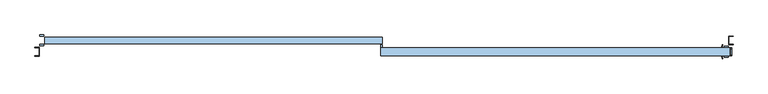
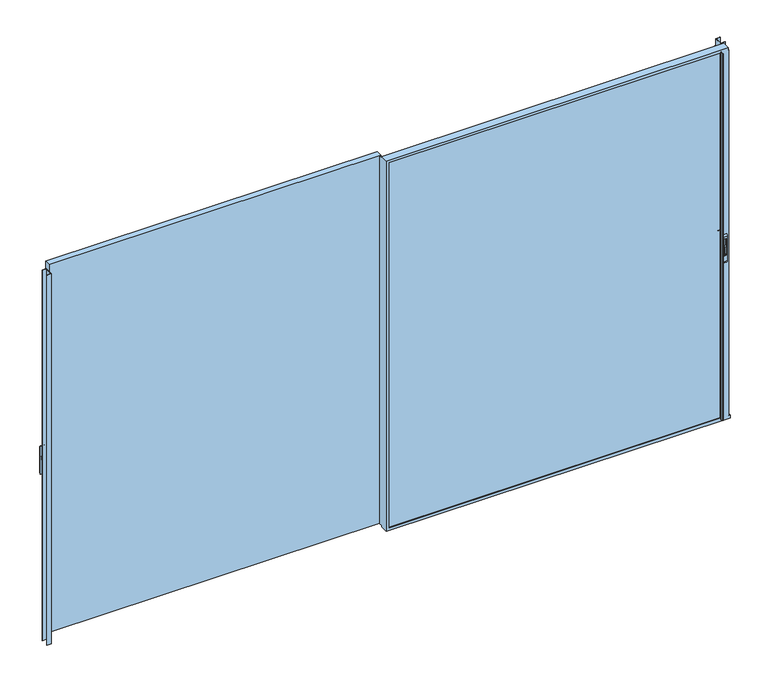
"""IFC4 building model written with IfcOpenShell, lengths in millimetres: window geometry."""

from ifc_helpers import new_model, si_unit, point, frame, frame_2d, origin, place, context, project, spatial, polyline, circle_curve, trimmed, segment, composite_curve, outline, extrude, source, transform, mapped, element, save
from ifc_brep_helpers import plane_surface, cylinder_surface, revolved_surface, advanced_brep


def window_b0a612e4(model_context):
    return source(origin(), model_context, "Body", "SolidModel", [
        extrude(outline(composite_curve([segment(polyline([(-57.5, 2375.2189223), (-57.5, 2439.6559659)]), True, "CONTINUOUS"), segment(trimmed(circle_curve(frame_2d((-46.9370436, 2439.6559659)), 10.5629564), [point((-57.5, 2439.6559659))], [point((-46.9370436, 2450.2189223))], False, "CARTESIAN"), True, "CONTINUOUS"), segment(polyline([(-46.9370436, 2450.2189223), (-51.7185218, 2375.2189223), (-57.5, 2375.2189223)]), True, "CONTINUOUS")], self_intersect=False)), frame((-2928.5110704, 0.0, 0.0), z_axis=(1.0, 0.0, 0.0), x_axis=(0.0, 1.0, 0.0)), (0.0, 0.0, 1.0), 14.8235768),
        advanced_brep(
        [(-2903.1034585, -57.5, 2307.5), (-2903.1034585, -45.5, 2290.0), (-2903.1034585, -45.5, 2550.0), (-2903.1034585, -57.5, 2532.5), (-2939.0571491, -57.5, 2307.5), (-2939.0571491, -57.5, 2532.5), (-2939.0571491, -45.5, 2550.0), (-2939.0571491, -45.5, 2290.0), (-2929.894534, -57.5, 2516.667345), (-2912.30403, -57.5, 2516.667345), (-2912.30403, -57.5, 2360.7687336), (-2929.894534, -57.5, 2360.7687336), (-2912.30403, -46.9370436, 2516.667345), (-2929.894534, -46.9370436, 2516.667345), (-2929.894534, -46.9370436, 2360.7687336), (-2912.30403, -46.9370436, 2360.7687336)],
        [
            (0, 1, circle_curve(frame((-2903.1034585, -38.7395833, 2307.5), z_axis=(1.0, 0.0, 0.0), x_axis=(0.0, 0.0, -1.0)), 18.7604167)),
            (1, 2),
            (2, 3, circle_curve(frame((-2903.1034585, -38.7395833, 2532.5), z_axis=(1.0, 0.0, 0.0), x_axis=(0.0, 0.0, -1.0)), 18.7604167)),
            (3, 0),
            (4, 5),
            (5, 6, circle_curve(frame((-2939.0571491, -38.7395833, 2532.5), z_axis=(-1.0, 0.0, 0.0), x_axis=(0.0, 0.0, -1.0)), 18.7604167)),
            (6, 7),
            (7, 4, circle_curve(frame((-2939.0571491, -38.7395833, 2307.5), z_axis=(-1.0, 0.0, 0.0), x_axis=(0.0, 0.0, -1.0)), 18.7604167)),
            (1, 7),
            (6, 2),
            (3, 5),
            (4, 0),
            (8, 9),
            (9, 10),
            (10, 11),
            (11, 8),
            (12, 13),
            (13, 14),
            (14, 15),
            (15, 12),
            (12, 9),
            (8, 13),
            (11, 14),
            (10, 15),
        ],
        [
            plane_surface(frame((-2903.1034585, -38.7395833, 2288.7395833), z_axis=(1.0, 0.0, 0.0), x_axis=(0.0, 1.0, 0.0))),
            plane_surface(frame((-2939.0571491, -38.7395833, 2288.7395833), z_axis=(-1.0, 0.0, 0.0), x_axis=(0.0, -1.0, 0.0))),
            plane_surface(frame((-2903.1034585, -45.5, 2290.0), z_axis=(0.0, 1.0, 0.0), x_axis=(-1.0, 0.0, 0.0))),
            plane_surface(frame((-2903.1034585, -57.5, 2532.5), z_axis=(0.0, -1.0, 0.0), x_axis=(-1.0, 0.0, 0.0))),
            plane_surface(frame((-2929.894534, -46.9370436, 2516.667345), z_axis=(0.0, -1.0, 0.0), x_axis=(1.0, 0.0, 0.0))),
            plane_surface(frame((-2912.30403, -57.5, 2516.667345), z_axis=(0.0, 0.0, -1.0), x_axis=(0.0, 1.0, 0.0))),
            plane_surface(frame((-2929.894534, -57.5, 2516.667345), z_axis=(1.0, 0.0, 0.0), x_axis=(0.0, 1.0, 0.0))),
            plane_surface(frame((-2929.894534, -57.5, 2360.7687336), z_axis=(0.0, 0.0, 1.0), x_axis=(0.0, 1.0, 0.0))),
            plane_surface(frame((-2912.30403, -57.5, 2360.7687336), z_axis=(-1.0, 0.0, 0.0), x_axis=(0.0, 1.0, 0.0))),
            cylinder_surface(frame((-2939.0571491, -38.7395833, 2307.5), z_axis=(1.0, 0.0, 0.0), x_axis=(0.0, 0.0, -1.0)), 18.7604167),
            cylinder_surface(frame((-2939.0571491, -38.7395833, 2532.5), z_axis=(1.0, 0.0, 0.0), x_axis=(0.0, 0.0, -1.0)), 18.7604167),
        ],
        [
            (0, [[1, 2, 3, 4]]),
            (1, [[5, 6, 7, 8]]),
            (2, [[-2, 9, -7, 10]]),
            (3, [[-4, 11, -5, 12], [13, 14, 15, 16]]),
            (4, [[17, 18, 19, 20]]),
            (5, [[-17, 21, -13, 22]]),
            (6, [[-18, -22, -16, 23]]),
            (7, [[-19, -23, -15, 24]]),
            (8, [[-20, -24, -14, -21]]),
            (9, [[-1, -12, -8, -9]]),
            (10, [[-3, -10, -6, -11]]),
        ],
    ),
        extrude(outline(composite_curve([segment(polyline([(35.5, 2375.2189223), (29.7185218, 2375.2189223), (24.9370436, 2450.2189223)]), True, "CONTINUOUS"), segment(trimmed(circle_curve(frame_2d((24.9370436, 2439.6559659)), 10.5629564), [point((24.9370436, 2450.2189223))], [point((35.5, 2439.6559659))], False, "CARTESIAN"), True, "CONTINUOUS"), segment(polyline([(35.5, 2439.6559659), (35.5, 2375.2189223)]), True, "CONTINUOUS")], self_intersect=False)), frame((-2928.473114, 0.0, 0.0), z_axis=(1.0, 0.0, 0.0), x_axis=(0.0, 1.0, 0.0)), (0.0, 0.0, 1.0), 14.8235768),
        advanced_brep(
        [(-2939.0571491, 35.5, 2307.5), (-2939.0571491, 23.5, 2290.0), (-2939.0571491, 23.5, 2550.0), (-2939.0571491, 35.5, 2532.5), (-2903.1034585, 35.5, 2307.5), (-2903.1034585, 35.5, 2532.5), (-2903.1034585, 23.5, 2550.0), (-2903.1034585, 23.5, 2290.0), (-2912.2660736, 35.5, 2516.667345), (-2929.8565776, 35.5, 2516.667345), (-2929.8565776, 35.5, 2360.7687336), (-2912.2660736, 35.5, 2360.7687336), (-2929.8565776, 24.9370436, 2516.667345), (-2912.2660736, 24.9370436, 2516.667345), (-2912.2660736, 24.9370436, 2360.7687336), (-2929.8565776, 24.9370436, 2360.7687336)],
        [
            (0, 1, circle_curve(frame((-2939.0571491, 16.7395833, 2307.5), z_axis=(-1.0, 0.0, 0.0), x_axis=(0.0, 0.0, -1.0)), 18.7604167)),
            (1, 2),
            (2, 3, circle_curve(frame((-2939.0571491, 16.7395833, 2532.5), z_axis=(-1.0, 0.0, 0.0), x_axis=(0.0, 0.0, -1.0)), 18.7604167)),
            (3, 0),
            (4, 5),
            (5, 6, circle_curve(frame((-2903.1034585, 16.7395833, 2532.5), z_axis=(1.0, 0.0, 0.0), x_axis=(0.0, 0.0, -1.0)), 18.7604167)),
            (6, 7),
            (7, 4, circle_curve(frame((-2903.1034585, 16.7395833, 2307.5), z_axis=(1.0, 0.0, 0.0), x_axis=(0.0, 0.0, -1.0)), 18.7604167)),
            (1, 7),
            (6, 2),
            (3, 5),
            (4, 0),
            (8, 9),
            (9, 10),
            (10, 11),
            (11, 8),
            (12, 13),
            (13, 14),
            (14, 15),
            (15, 12),
            (12, 9),
            (8, 13),
            (11, 14),
            (10, 15),
        ],
        [
            plane_surface(frame((-2939.0571491, 16.7395833, 2288.7395833), z_axis=(-1.0, 0.0, 0.0), x_axis=(0.0, -1.0, 0.0))),
            plane_surface(frame((-2903.1034585, 16.7395833, 2288.7395833), z_axis=(1.0, 0.0, 0.0), x_axis=(0.0, 1.0, 0.0))),
            plane_surface(frame((-2939.0571491, 23.5, 2290.0), z_axis=(0.0, -1.0, 0.0), x_axis=(1.0, 0.0, 0.0))),
            plane_surface(frame((-2939.0571491, 35.5, 2532.5), z_axis=(0.0, 1.0, 0.0), x_axis=(1.0, 0.0, 0.0))),
            plane_surface(frame((-2912.2660736, 24.9370436, 2516.667345), z_axis=(0.0, 1.0, 0.0), x_axis=(-1.0, 0.0, 0.0))),
            plane_surface(frame((-2929.8565776, 35.5, 2516.667345), z_axis=(0.0, 0.0, -1.0), x_axis=(0.0, -1.0, 0.0))),
            plane_surface(frame((-2912.2660736, 35.5, 2516.667345), z_axis=(-1.0, 0.0, 0.0), x_axis=(0.0, -1.0, 0.0))),
            plane_surface(frame((-2912.2660736, 35.5, 2360.7687336), z_axis=(0.0, 0.0, 1.0), x_axis=(0.0, -1.0, 0.0))),
            plane_surface(frame((-2929.8565776, 35.5, 2360.7687336), z_axis=(1.0, 0.0, 0.0), x_axis=(0.0, -1.0, 0.0))),
            cylinder_surface(frame((-2903.1034585, 16.7395833, 2307.5), z_axis=(-1.0, 0.0, 0.0), x_axis=(0.0, 0.0, -1.0)), 18.7604167),
            cylinder_surface(frame((-2903.1034585, 16.7395833, 2532.5), z_axis=(-1.0, 0.0, 0.0), x_axis=(0.0, 0.0, -1.0)), 18.7604167),
        ],
        [
            (0, [[1, 2, 3, 4]]),
            (1, [[5, 6, 7, 8]]),
            (2, [[-2, 9, -7, 10]]),
            (3, [[-4, 11, -5, 12], [13, 14, 15, 16]]),
            (4, [[17, 18, 19, 20]]),
            (5, [[-17, 21, -13, 22]]),
            (6, [[-18, -22, -16, 23]]),
            (7, [[-19, -23, -15, 24]]),
            (8, [[-20, -24, -14, -21]]),
            (9, [[-1, -12, -8, -9]]),
            (10, [[-3, -10, -6, -11]]),
        ],
    ),
        extrude(outline(composite_curve([segment(polyline([(-62.5, 2375.2189223), (-68.2814782, 2375.2189223), (-73.0629564, 2450.2189223)]), True, "CONTINUOUS"), segment(trimmed(circle_curve(frame_2d((-73.0629564, 2439.6559659)), 10.5629564), [point((-73.0629564, 2450.2189223))], [point((-62.5, 2439.6559659))], False, "CARTESIAN"), True, "CONTINUOUS"), segment(polyline([(-62.5, 2439.6559659), (-62.5, 2375.2189223)]), True, "CONTINUOUS")], self_intersect=False)), frame((2913.6874936, 0.0, 0.0), z_axis=(1.0, 0.0, 0.0), x_axis=(0.0, 1.0, 0.0)), (0.0, 0.0, 1.0), 14.8235768),
        advanced_brep(
        [(2903.1034585, -62.5, 2307.5), (2903.1034585, -74.5, 2290.0), (2903.1034585, -74.5, 2550.0), (2903.1034585, -62.5, 2532.5), (2939.0571491, -62.5, 2307.5), (2939.0571491, -62.5, 2532.5), (2939.0571491, -74.5, 2550.0), (2939.0571491, -74.5, 2290.0), (2929.894534, -62.5, 2516.667345), (2912.30403, -62.5, 2516.667345), (2912.30403, -62.5, 2360.7687336), (2929.894534, -62.5, 2360.7687336), (2912.30403, -73.0629564, 2516.667345), (2929.894534, -73.0629564, 2516.667345), (2929.894534, -73.0629564, 2360.7687336), (2912.30403, -73.0629564, 2360.7687336)],
        [
            (0, 1, circle_curve(frame((2903.1034585, -81.2604167, 2307.5), z_axis=(-1.0, 0.0, 0.0), x_axis=(0.0, 0.0, -1.0)), 18.7604167)),
            (1, 2),
            (2, 3, circle_curve(frame((2903.1034585, -81.2604167, 2532.5), z_axis=(-1.0, 0.0, 0.0), x_axis=(0.0, 0.0, -1.0)), 18.7604167)),
            (3, 0),
            (4, 5),
            (5, 6, circle_curve(frame((2939.0571491, -81.2604167, 2532.5), z_axis=(1.0, 0.0, 0.0), x_axis=(0.0, 0.0, -1.0)), 18.7604167)),
            (6, 7),
            (7, 4, circle_curve(frame((2939.0571491, -81.2604167, 2307.5), z_axis=(1.0, 0.0, 0.0), x_axis=(0.0, 0.0, -1.0)), 18.7604167)),
            (1, 7),
            (6, 2),
            (3, 5),
            (4, 0),
            (8, 9),
            (9, 10),
            (10, 11),
            (11, 8),
            (12, 13),
            (13, 14),
            (14, 15),
            (15, 12),
            (12, 9),
            (8, 13),
            (11, 14),
            (10, 15),
        ],
        [
            plane_surface(frame((2903.1034585, -81.2604167, 2288.7395833), z_axis=(-1.0, 0.0, 0.0), x_axis=(0.0, -1.0, 0.0))),
            plane_surface(frame((2939.0571491, -81.2604167, 2288.7395833), z_axis=(1.0, 0.0, 0.0), x_axis=(0.0, 1.0, 0.0))),
            plane_surface(frame((2903.1034585, -74.5, 2290.0), z_axis=(0.0, -1.0, 0.0), x_axis=(1.0, 0.0, 0.0))),
            plane_surface(frame((2903.1034585, -62.5, 2532.5), z_axis=(0.0, 1.0, 0.0), x_axis=(1.0, 0.0, 0.0))),
            plane_surface(frame((2929.894534, -73.0629564, 2516.667345), z_axis=(0.0, 1.0, 0.0), x_axis=(-1.0, 0.0, 0.0))),
            plane_surface(frame((2912.30403, -62.5, 2516.667345), z_axis=(0.0, 0.0, -1.0), x_axis=(0.0, -1.0, 0.0))),
            plane_surface(frame((2929.894534, -62.5, 2516.667345), z_axis=(-1.0, 0.0, 0.0), x_axis=(0.0, -1.0, 0.0))),
            plane_surface(frame((2929.894534, -62.5, 2360.7687336), z_axis=(0.0, 0.0, 1.0), x_axis=(0.0, -1.0, 0.0))),
            plane_surface(frame((2912.30403, -62.5, 2360.7687336), z_axis=(1.0, 0.0, 0.0), x_axis=(0.0, -1.0, 0.0))),
            cylinder_surface(frame((2939.0571491, -81.2604167, 2307.5), z_axis=(-1.0, 0.0, 0.0), x_axis=(0.0, 0.0, -1.0)), 18.7604167),
            cylinder_surface(frame((2939.0571491, -81.2604167, 2532.5), z_axis=(-1.0, 0.0, 0.0), x_axis=(0.0, 0.0, -1.0)), 18.7604167),
        ],
        [
            (0, [[1, 2, 3, 4]]),
            (1, [[5, 6, 7, 8]]),
            (2, [[-2, 9, -7, 10]]),
            (3, [[-4, 11, -5, 12], [13, 14, 15, 16]]),
            (4, [[17, 18, 19, 20]]),
            (5, [[-17, 21, -13, 22]]),
            (6, [[-18, -22, -16, 23]]),
            (7, [[-19, -23, -15, 24]]),
            (8, [[-20, -24, -14, -21]]),
            (9, [[-1, -12, -8, -9]]),
            (10, [[-3, -10, -6, -11]]),
        ],
    ),
        extrude(outline(composite_curve([segment(polyline([(-155.5, 2375.2189223), (-155.5, 2439.6559659)]), True, "CONTINUOUS"), segment(trimmed(circle_curve(frame_2d((-144.9370436, 2439.6559659)), 10.5629564), [point((-155.5, 2439.6559659))], [point((-144.9370436, 2450.2189223))], False, "CARTESIAN"), True, "CONTINUOUS"), segment(polyline([(-144.9370436, 2450.2189223), (-149.7185218, 2375.2189223), (-155.5, 2375.2189223)]), True, "CONTINUOUS")], self_intersect=False)), frame((2913.6495372, 0.0, 0.0), z_axis=(1.0, 0.0, 0.0), x_axis=(0.0, 1.0, 0.0)), (0.0, 0.0, 1.0), 14.8235768),
        advanced_brep(
        [(2939.0571491, -155.5, 2307.5), (2939.0571491, -143.5, 2290.0), (2939.0571491, -143.5, 2550.0), (2939.0571491, -155.5, 2532.5), (2903.1034585, -155.5, 2307.5), (2903.1034585, -155.5, 2532.5), (2903.1034585, -143.5, 2550.0), (2903.1034585, -143.5, 2290.0), (2912.2660736, -155.5, 2516.667345), (2929.8565776, -155.5, 2516.667345), (2929.8565776, -155.5, 2360.7687336), (2912.2660736, -155.5, 2360.7687336), (2929.8565776, -144.9370436, 2516.667345), (2912.2660736, -144.9370436, 2516.667345), (2912.2660736, -144.9370436, 2360.7687336), (2929.8565776, -144.9370436, 2360.7687336)],
        [
            (0, 1, circle_curve(frame((2939.0571491, -136.7395833, 2307.5), z_axis=(1.0, 0.0, 0.0), x_axis=(0.0, 0.0, -1.0)), 18.7604167)),
            (1, 2),
            (2, 3, circle_curve(frame((2939.0571491, -136.7395833, 2532.5), z_axis=(1.0, 0.0, 0.0), x_axis=(0.0, 0.0, -1.0)), 18.7604167)),
            (3, 0),
            (4, 5),
            (5, 6, circle_curve(frame((2903.1034585, -136.7395833, 2532.5), z_axis=(-1.0, 0.0, 0.0), x_axis=(0.0, 0.0, -1.0)), 18.7604167)),
            (6, 7),
            (7, 4, circle_curve(frame((2903.1034585, -136.7395833, 2307.5), z_axis=(-1.0, 0.0, 0.0), x_axis=(0.0, 0.0, -1.0)), 18.7604167)),
            (1, 7),
            (6, 2),
            (3, 5),
            (4, 0),
            (8, 9),
            (9, 10),
            (10, 11),
            (11, 8),
            (12, 13),
            (13, 14),
            (14, 15),
            (15, 12),
            (12, 9),
            (8, 13),
            (11, 14),
            (10, 15),
        ],
        [
            plane_surface(frame((2939.0571491, -136.7395833, 2288.7395833), z_axis=(1.0, 0.0, 0.0), x_axis=(0.0, 1.0, 0.0))),
            plane_surface(frame((2903.1034585, -136.7395833, 2288.7395833), z_axis=(-1.0, 0.0, 0.0), x_axis=(0.0, -1.0, 0.0))),
            plane_surface(frame((2939.0571491, -143.5, 2290.0), z_axis=(0.0, 1.0, 0.0), x_axis=(-1.0, 0.0, 0.0))),
            plane_surface(frame((2939.0571491, -155.5, 2532.5), z_axis=(0.0, -1.0, 0.0), x_axis=(-1.0, 0.0, 0.0))),
            plane_surface(frame((2912.2660736, -144.9370436, 2516.667345), z_axis=(0.0, -1.0, 0.0), x_axis=(1.0, 0.0, 0.0))),
            plane_surface(frame((2929.8565776, -155.5, 2516.667345), z_axis=(0.0, 0.0, -1.0), x_axis=(0.0, 1.0, 0.0))),
            plane_surface(frame((2912.2660736, -155.5, 2516.667345), z_axis=(1.0, 0.0, 0.0), x_axis=(0.0, 1.0, 0.0))),
            plane_surface(frame((2912.2660736, -155.5, 2360.7687336), z_axis=(0.0, 0.0, 1.0), x_axis=(0.0, 1.0, 0.0))),
            plane_surface(frame((2929.8565776, -155.5, 2360.7687336), z_axis=(-1.0, 0.0, 0.0), x_axis=(0.0, 1.0, 0.0))),
            cylinder_surface(frame((2903.1034585, -136.7395833, 2307.5), z_axis=(1.0, 0.0, 0.0), x_axis=(0.0, 0.0, -1.0)), 18.7604167),
            cylinder_surface(frame((2903.1034585, -136.7395833, 2532.5), z_axis=(1.0, 0.0, 0.0), x_axis=(0.0, 0.0, -1.0)), 18.7604167),
        ],
        [
            (0, [[1, 2, 3, 4]]),
            (1, [[5, 6, 7, 8]]),
            (2, [[-2, 9, -7, 10]]),
            (3, [[-4, 11, -5, 12], [13, 14, 15, 16]]),
            (4, [[17, 18, 19, 20]]),
            (5, [[-17, 21, -13, 22]]),
            (6, [[-18, -22, -16, 23]]),
            (7, [[-19, -23, -15, 24]]),
            (8, [[-20, -24, -14, -21]]),
            (9, [[-1, -12, -8, -9]]),
            (10, [[-3, -10, -6, -11]]),
        ],
    ),
        extrude(outline(polyline([(-13.0, -136.0), (-13.0, -82.0), (2898.5, -82.0), (2898.5, -136.0), (-13.0, -136.0)])), frame((0.0, 0.0, 843.0), z_axis=(0.0, 0.0, 1.0), x_axis=(1.0, 0.0, 0.0)), (0.0, 0.0, 1.0), 3400.0),
        extrude(outline(polyline([(-2898.5, 16.0), (-13.0, 16.0), (-13.0, -38.0), (-2898.5, -38.0), (-2898.5, 16.0)])), frame((0.0, 0.0, 857.0), z_axis=(0.0, 0.0, 1.0), x_axis=(1.0, 0.0, 0.0)), (0.0, 0.0, 1.0), 3386.0),
        extrude(outline(polyline([(2944.6, 23.9), (2944.6, -46.1016382), (2980.5, -46.1016382), (2980.5, -48.2016382), (2943.0, -48.2016382), (2943.0, 26.0), (2980.5, 26.0), (2980.5, 23.9), (2944.6, 23.9)])), frame((0.0, 0.0, 830.4035056), z_axis=(0.0, 0.0, 1.0), x_axis=(1.0, 0.0, 0.0)), (0.0, 0.0, 1.0), 3412.5964944),
        extrude(outline(polyline([(-2980.4855296, -71.7983618), (-2943.0, -71.7983618), (-2943.0, -145.7), (-2980.5600677, -145.7), (-2980.5600677, -143.6), (-2944.6, -143.6), (-2944.6, -73.8983618), (-2980.4855296, -73.8983618), (-2980.4855296, -71.7983618)])), frame((0.0, 0.0, 830.4035056), z_axis=(0.0, 0.0, 1.0), x_axis=(1.0, 0.0, 0.0)), (0.0, 0.0, 1.0), 3412.5964944),
        advanced_brep(
        [(-26.0, -74.5, 843.0), (-26.0, -143.5, 843.0), (-26.0, -143.5, 4257.5), (-26.0, -74.5008191, 4257.5), (-26.0, -74.5008191, 4243.0), (-26.0, -48.4969017, 4243.0), (-26.0, -48.4969017, 857.0), (-26.0, -74.5, 857.0), (2968.3, -74.5, 843.0), (2968.3, -143.5, 843.0), (2968.3, -143.5, 869.0), (2955.5, -143.5, 869.0), (2955.5, -143.5, 4239.9999325), (2953.8935563, -143.5, 4239.9999325), (2953.8935563, -143.5, 4257.5), (2891.8815605, -143.5, 860.0000675), (2886.5, -143.5, 860.0000675), (2886.5, -143.5, 4239.9999325), (2891.8815605, -143.5, 4239.9999325), (0.0, -143.5, 4231.0), (2884.5, -143.5, 4231.0), (2884.5, -143.5, 869.0), (0.0, -143.5, 869.0), (-14.4, -48.4969017, 4243.0), (-14.4, -48.4969017, 857.0), (-14.4, -74.5, 857.0), (2968.3, -74.5, 869.0), (-14.4, -74.5, 4243.0), (2953.8935563, -74.5, 4257.5), (2953.8935563, -74.5, 4239.9999325), (2955.5, -74.5, 4239.9999325), (2955.5, -74.5, 869.0), (0.0, -74.5, 869.0), (2884.5, -74.5, 869.0), (2884.5, -74.5, 4231.0), (0.0, -74.5, 4231.0), (2891.8815605, -74.5, 4239.9999325), (2886.5, -74.5, 4239.9999325), (2886.5, -74.5, 860.0000675), (2891.8815605, -74.5, 860.0000675), (2968.3, -82.0, 869.0), (2968.3, -82.0, 857.0), (2968.3, -136.0, 857.0), (2968.3, -136.0, 869.0), (2955.5, -82.0, 869.0), (0.0, -82.0, 869.0), (2884.5, -82.0, 869.0), (2955.5, -82.0, 860.0000675), (2898.5, -82.0, 860.0000675), (2898.5, -82.0, 4239.9999325), (2953.8935563, -82.0, 4239.9999325), (2953.8935563, -82.0, 4243.0), (-16.0, -82.0, 4243.0), (-16.0, -82.0, 857.0), (0.0, -82.0, 4231.0), (2884.5, -82.0, 4231.0), (-16.0, -136.0, 857.0), (-16.0, -136.0, 4243.0), (2953.8935563, -136.0, 4243.0), (2953.8935563, -136.0, 4239.9999325), (2898.5, -136.0, 4239.9999325), (2898.5, -136.0, 860.0000675), (2955.5, -136.0, 860.0000675), (2955.5, -136.0, 869.0), (0.0, -136.0, 869.0), (2884.5, -136.0, 869.0), (2884.5, -136.0, 4231.0), (0.0, -136.0, 4231.0), (2888.9977754, -145.6730879, 860.0000675), (2887.626431, -150.4555341, 860.0000675), (2887.739631, -152.4330365, 860.0000675), (2893.4747822, -167.8432139, 860.0000675), (2893.0, -168.5, 860.0000675), (2890.2399611, -168.5, 860.0000675), (2889.2836563, -167.7923717, 860.0000675), (2884.6162149, -152.5258588, 860.0000675), (2884.6162149, -150.0695393, 860.0000675), (2884.6162149, -67.9304607, 860.0000675), (2884.6162149, -65.4741412, 860.0000675), (2889.2836563, -50.2076283, 860.0000675), (2890.2399611, -49.5, 860.0000675), (2893.0, -49.5, 860.0000675), (2893.4747822, -50.1567861, 860.0000675), (2887.739631, -65.5669635, 860.0000675), (2887.626431, -67.5444659, 860.0000675), (2888.9977754, -72.3269121, 860.0000675), (2884.6162149, -150.0695393, 4239.9999325), (2888.9977754, -145.6730879, 4239.9999325), (2884.6162149, -67.9304607, 4239.9999325), (2888.9977754, -72.3269121, 4239.9999325), (2887.626431, -150.4555341, 4239.9999325), (2887.739631, -152.4330365, 4239.9999325), (2893.4747822, -167.8432139, 4239.9999325), (2893.0, -168.5, 4239.9999325), (2890.2399611, -168.5, 4239.9999325), (2889.2836563, -167.7923717, 4239.9999325), (2884.6162149, -152.5258588, 4239.9999325), (2884.6162149, -65.4741412, 4239.9999325), (2889.2836563, -50.2076283, 4239.9999325), (2890.2399611, -49.5, 4239.9999325), (2893.0, -49.5, 4239.9999325), (2893.4747822, -50.1567861, 4239.9999325), (2887.739631, -65.5669635, 4239.9999325), (2887.626431, -67.5444659, 4239.9999325)],
        [
            (0, 1),
            (1, 2),
            (2, 3),
            (3, 4),
            (4, 5),
            (5, 6),
            (6, 7),
            (7, 0),
            (0, 8),
            (8, 9),
            (9, 1),
            (9, 10),
            (10, 11),
            (11, 12),
            (12, 13),
            (13, 14),
            (14, 2),
            (15, 16),
            (16, 17),
            (17, 18),
            (18, 15),
            (19, 20),
            (20, 21),
            (21, 22),
            (22, 19),
            (5, 23),
            (23, 24),
            (24, 6),
            (24, 25),
            (25, 7),
            (26, 8),
            (25, 27),
            (27, 4),
            (3, 28),
            (28, 29),
            (29, 30),
            (30, 31),
            (31, 26),
            (32, 33),
            (33, 34),
            (34, 35),
            (35, 32),
            (36, 37),
            (37, 38),
            (38, 39),
            (39, 36),
            (26, 40),
            (40, 41),
            (41, 42),
            (42, 43),
            (43, 10),
            (31, 44),
            (44, 40),
            (32, 45),
            (45, 46),
            (46, 33),
            (44, 47),
            (47, 48),
            (48, 49),
            (49, 50),
            (50, 51),
            (51, 52),
            (52, 53),
            (53, 41),
            (54, 55),
            (55, 46),
            (45, 54),
            (53, 56),
            (56, 42),
            (56, 57),
            (57, 58),
            (58, 59),
            (59, 60),
            (60, 61),
            (61, 62),
            (62, 63),
            (63, 43),
            (64, 65),
            (65, 66),
            (66, 67),
            (67, 64),
            (63, 11),
            (64, 22),
            (21, 65),
            (23, 27),
            (67, 19),
            (52, 57),
            (35, 54),
            (20, 66),
            (30, 12),
            (62, 47),
            (15, 68, circle_curve(frame((2891.8815605, -146.5, 860.0000675), z_axis=(0.0, 0.0, 1.0), x_axis=(1.0, 0.0, 0.0)), 3.0)),
            (68, 69),
            (69, 70, circle_curve(frame((2890.5102161, -151.2824462, 860.0000675), z_axis=(0.0, 0.0, 1.0), x_axis=(1.0, 0.0, 0.0)), 3.0)),
            (70, 71, circle_curve(frame((2684.3068415, -236.9162025, 860.0000675), z_axis=(0.0, 0.0, -1.0), x_axis=(1.0, 0.0, 0.0)), 220.2777909)),
            (71, 72, circle_curve(frame((2893.0, -168.0, 860.0000675), z_axis=(0.0, 0.0, -1.0), x_axis=(1.0, 0.0, 0.0)), 0.5)),
            (72, 73),
            (73, 74, circle_curve(frame((2890.2399611, -167.5, 860.0000675), z_axis=(0.0, 0.0, -1.0), x_axis=(1.0, 0.0, 0.0)), 1.0)),
            (74, 75),
            (75, 76, circle_curve(frame((2888.8993168, -151.297699, 860.0000675), z_axis=(0.0, 0.0, -1.0), x_axis=(1.0, 0.0, 0.0)), 4.4557085)),
            (76, 16),
            (61, 48),
            (38, 77),
            (77, 78, circle_curve(frame((2888.8993168, -66.702301, 860.0000675), z_axis=(0.0, 0.0, -1.0), x_axis=(1.0, 0.0, 0.0)), 4.4557085)),
            (78, 79),
            (79, 80, circle_curve(frame((2890.2399611, -50.5, 860.0000675), z_axis=(0.0, 0.0, -1.0), x_axis=(1.0, 0.0, 0.0)), 1.0)),
            (80, 81),
            (81, 82, circle_curve(frame((2893.0, -50.0, 860.0000675), z_axis=(0.0, 0.0, -1.0), x_axis=(1.0, 0.0, 0.0)), 0.5)),
            (82, 83, circle_curve(frame((2684.3068415, 18.9162025, 860.0000675), z_axis=(0.0, 0.0, -1.0), x_axis=(1.0, 0.0, 0.0)), 220.2777909)),
            (83, 84, circle_curve(frame((2890.5102161, -66.7175538, 860.0000675), z_axis=(0.0, 0.0, 1.0), x_axis=(1.0, 0.0, 0.0)), 3.0)),
            (84, 85),
            (85, 39, circle_curve(frame((2891.8815605, -71.5, 860.0000675), z_axis=(0.0, 0.0, 1.0), x_axis=(1.0, 0.0, 0.0)), 3.0)),
            (86, 17),
            (76, 86),
            (18, 87, circle_curve(frame((2891.8815605, -146.5, 4239.9999325), z_axis=(0.0, 0.0, 1.0), x_axis=(1.0, 0.0, 0.0)), 3.0)),
            (87, 68),
            (60, 49),
            (55, 34),
            (37, 88),
            (88, 77),
            (89, 36, circle_curve(frame((2891.8815605, -71.5, 4239.9999325), z_axis=(0.0, 0.0, 1.0), x_axis=(1.0, 0.0, 0.0)), 3.0)),
            (85, 89),
            (87, 90),
            (90, 69),
            (90, 91, circle_curve(frame((2890.5102161, -151.2824462, 4239.9999325), z_axis=(0.0, 0.0, 1.0), x_axis=(1.0, 0.0, 0.0)), 3.0)),
            (91, 70),
            (91, 92, circle_curve(frame((2684.3068415, -236.9162025, 4239.9999325), z_axis=(0.0, 0.0, -1.0), x_axis=(1.0, 0.0, 0.0)), 220.2777909)),
            (92, 71),
            (92, 93, circle_curve(frame((2893.0, -168.0, 4239.9999325), z_axis=(0.0, 0.0, -1.0), x_axis=(1.0, 0.0, 0.0)), 0.5)),
            (93, 72),
            (93, 94),
            (94, 73),
            (94, 95, circle_curve(frame((2890.2399611, -167.5, 4239.9999325), z_axis=(0.0, 0.0, -1.0), x_axis=(1.0, 0.0, 0.0)), 1.0)),
            (95, 74),
            (95, 96),
            (96, 75),
            (96, 86, circle_curve(frame((2888.8993168, -151.297699, 4239.9999325), z_axis=(0.0, 0.0, -1.0), x_axis=(1.0, 0.0, 0.0)), 4.4557085)),
            (88, 97, circle_curve(frame((2888.8993168, -66.702301, 4239.9999325), z_axis=(0.0, 0.0, -1.0), x_axis=(1.0, 0.0, 0.0)), 4.4557085)),
            (97, 78),
            (97, 98),
            (98, 79),
            (98, 99, circle_curve(frame((2890.2399611, -50.5, 4239.9999325), z_axis=(0.0, 0.0, -1.0), x_axis=(1.0, 0.0, 0.0)), 1.0)),
            (99, 80),
            (99, 100),
            (100, 81),
            (100, 101, circle_curve(frame((2893.0, -50.0, 4239.9999325), z_axis=(0.0, 0.0, -1.0), x_axis=(1.0, 0.0, 0.0)), 0.5)),
            (101, 82),
            (101, 102, circle_curve(frame((2684.3068415, 18.9162025, 4239.9999325), z_axis=(0.0, 0.0, -1.0), x_axis=(1.0, 0.0, 0.0)), 220.2777909)),
            (102, 83),
            (102, 103, circle_curve(frame((2890.5102161, -66.7175538, 4239.9999325), z_axis=(0.0, 0.0, 1.0), x_axis=(1.0, 0.0, 0.0)), 3.0)),
            (103, 84),
            (103, 89),
            (14, 28),
            (58, 51),
            (50, 29),
            (13, 59),
        ],
        [
            plane_surface(frame((-26.0, -143.5, 869.0), z_axis=(-1.0, 0.0, 0.0), x_axis=(0.0, 0.0, 1.0))),
            plane_surface(frame((-26.0, -74.5, 843.0), z_axis=(0.0, 0.0, -1.0), x_axis=(1.0, 0.0, 0.0))),
            plane_surface(frame((-26.0, -143.5, 843.0), z_axis=(0.0, -1.0, 0.0), x_axis=(1.0, 0.0, 0.0))),
            plane_surface(frame((-14.4, -48.4969017, 4243.0), z_axis=(0.0, 1.0, 0.0), x_axis=(0.0, 0.0, -1.0))),
            plane_surface(frame((0.0, -143.5, 857.0), z_axis=(0.0, 0.0, -1.0), x_axis=(0.0, -1.0, 0.0))),
            plane_surface(frame((-26.0, -74.5, 869.0), z_axis=(0.0, 1.0, 0.0), x_axis=(1.0, 0.0, 0.0))),
            plane_surface(frame((2968.3, -143.5, 869.0), z_axis=(1.0, 0.0, 0.0), x_axis=(0.0, 0.0, -1.0))),
            plane_surface(frame((-26.0, -82.0, 869.0), z_axis=(0.0, 0.0, 1.0), x_axis=(1.0, 0.0, 0.0))),
            plane_surface(frame((-26.0, -82.0, 857.0), z_axis=(0.0, -1.0, 0.0), x_axis=(1.0, 0.0, 0.0))),
            plane_surface(frame((-26.0, -136.0, 857.0), z_axis=(0.0, 0.0, 1.0), x_axis=(1.0, 0.0, 0.0))),
            plane_surface(frame((-26.0, -136.0, 869.0), z_axis=(0.0, 1.0, 0.0), x_axis=(1.0, 0.0, 0.0))),
            plane_surface(frame((-26.0, -143.5, 869.0), z_axis=(0.0, 0.0, 1.0), x_axis=(1.0, 0.0, 0.0))),
            plane_surface(frame((-14.4, -74.5, 4243.0), z_axis=(1.0, 0.0, 0.0), x_axis=(0.0, 0.0, -1.0))),
            plane_surface(frame((0.0, -143.5, 4243.0), z_axis=(1.0, 0.0, 0.0), x_axis=(0.0, 0.0, -1.0))),
            plane_surface(frame((-16.0, -136.0, 4243.0), z_axis=(1.0, 0.0, 0.0), x_axis=(0.0, 0.0, -1.0))),
            plane_surface(frame((0.0, -82.0, 4243.0), z_axis=(1.0, 0.0, 0.0), x_axis=(0.0, 0.0, -1.0))),
            plane_surface(frame((2884.5, -136.0, 4239.9999325), z_axis=(-1.0, 0.0, 0.0), x_axis=(0.0, 0.0, -1.0))),
            plane_surface(frame((2955.5, -143.5, 4239.9999325), z_axis=(1.0, 0.0, 0.0), x_axis=(0.0, 0.0, -1.0))),
            plane_surface(frame((2891.8815605, -74.5, 860.0000675), z_axis=(0.0, 0.0, -1.0), x_axis=(1.0, 0.0, 0.0))),
            plane_surface(frame((2886.5, -143.5, 4239.9999325), z_axis=(-0.9612616959385787, 0.27563735581609317, 0.0), x_axis=(0.0, 0.0, -1.0))),
            revolved_surface(polyline([(2894.8815605, -146.5, 860.0000675), (2894.8815605, -146.5, 4239.9999325)]), (2891.8815605, -146.5, 860.0000675), (0.0, 0.0, -1.0)),
            plane_surface(frame((2898.5, -82.0, 4239.9999325), z_axis=(-1.0, 0.0, 0.0), x_axis=(0.0, 0.0, -1.0))),
            plane_surface(frame((2884.5, -74.5, 4239.9999325), z_axis=(-1.0, 0.0, 0.0), x_axis=(0.0, 0.0, -1.0))),
            plane_surface(frame((2884.6162149, -67.9304607, 4239.9999325), z_axis=(-0.9612616958338434, -0.2756373561813486, 0.0), x_axis=(0.0, 0.0, -1.0))),
            revolved_surface(polyline([(2894.8815605, -71.5, 860.0000675), (2894.8815605, -71.5, 4239.9999325)]), (2891.8815605, -71.5, 860.0000675), (0.0, 0.0, -1.0)),
            plane_surface(frame((2887.626431, -150.4555341, 4239.9999325), z_axis=(0.9612616959389062, -0.2756373558149511, 0.0), x_axis=(0.0, 0.0, -1.0))),
            revolved_surface(polyline([(2893.5102161, -151.2824462, 860.0000675), (2893.5102161, -151.2824462, 4239.9999325)]), (2890.5102161, -151.2824462, 860.0000675), (0.0, 0.0, -1.0)),
            cylinder_surface(frame((2684.3068415, -236.9162025, 860.0000675), z_axis=(0.0, 0.0, 1.0), x_axis=(1.0, 0.0, 0.0)), 220.2777909),
            cylinder_surface(frame((2893.0, -168.0, 860.0000675), z_axis=(0.0, 0.0, 1.0), x_axis=(1.0, 0.0, 0.0)), 0.5),
            plane_surface(frame((2890.2399611, -168.5, 4239.9999325), z_axis=(0.0, -1.0, 0.0), x_axis=(0.0, 0.0, -1.0))),
            cylinder_surface(frame((2890.2399611, -167.5, 860.0000675), z_axis=(0.0, 0.0, 1.0), x_axis=(1.0, 0.0, 0.0)), 1.0),
            plane_surface(frame((2884.6162149, -152.5258588, 4239.9999325), z_axis=(-0.9563047559624283, -0.2923717047247231, 0.0), x_axis=(0.0, 0.0, -1.0))),
            cylinder_surface(frame((2888.8993168, -151.297699, 860.0000675), z_axis=(0.0, 0.0, 1.0), x_axis=(1.0, 0.0, 0.0)), 4.4557085),
            cylinder_surface(frame((2888.8993168, -66.702301, 860.0000675), z_axis=(0.0, 0.0, 1.0), x_axis=(1.0, 0.0, 0.0)), 4.4557085),
            plane_surface(frame((2889.2836563, -50.2076283, 4239.9999325), z_axis=(-0.9563047559645428, 0.29237170471780666, 0.0), x_axis=(0.0, 0.0, -1.0))),
            cylinder_surface(frame((2890.2399611, -50.5, 860.0000675), z_axis=(0.0, 0.0, 1.0), x_axis=(1.0, 0.0, 0.0)), 1.0),
            plane_surface(frame((2893.0, -49.5, 4239.9999325), z_axis=(0.0, 1.0, 0.0), x_axis=(0.0, 0.0, -1.0))),
            cylinder_surface(frame((2893.0, -50.0, 860.0000675), z_axis=(0.0, 0.0, 1.0), x_axis=(1.0, 0.0, 0.0)), 0.5),
            cylinder_surface(frame((2684.3068415, 18.9162025, 860.0000675), z_axis=(0.0, 0.0, 1.0), x_axis=(1.0, 0.0, 0.0)), 220.2777909),
            revolved_surface(polyline([(2893.5102161, -66.7175538, 860.0000675), (2893.5102161, -66.7175538, 4239.9999325)]), (2890.5102161, -66.7175538, 860.0000675), (0.0, 0.0, -1.0)),
            plane_surface(frame((2888.9977754, -72.3269121, 4239.9999325), z_axis=(0.961261695794868, 0.2756373563172721, 0.0), x_axis=(0.0, 0.0, -1.0))),
            plane_surface(frame((-26.0, -143.5, 4257.5), z_axis=(0.0, 0.0, 1.0), x_axis=(1.0, 0.0, 0.0))),
            plane_surface(frame((0.0, -143.5, 4243.0), z_axis=(0.0, 0.0, 1.0), x_axis=(0.0, 1.0, 0.0))),
            plane_surface(frame((2953.8935563, -143.5, 4231.0), z_axis=(1.0, 0.0, 0.0), x_axis=(0.0, 0.0, -1.0))),
            plane_surface(frame((-26.0, -82.0, 4243.0), z_axis=(0.0, 0.0, -1.0), x_axis=(1.0, 0.0, 0.0))),
            plane_surface(frame((2891.8815605, -74.5, 4239.9999325), z_axis=(0.0, 0.0, 1.0), x_axis=(-1.0, 0.0, 0.0))),
            plane_surface(frame((-26.0, -74.5008191, 4231.0), z_axis=(0.0, 0.0, -1.0), x_axis=(1.0, 0.0, 0.0))),
            plane_surface(frame((-26.0, -136.0, 4231.0), z_axis=(0.0, 0.0, -1.0), x_axis=(1.0, 0.0, 0.0))),
        ],
        [
            (0, [[1, 2, 3, 4, 5, 6, 7, 8]]),
            (1, [[-1, 9, 10, 11]]),
            (2, [[12, 13, 14, 15, 16, 17, -2, -11], [18, 19, 20, 21], [22, 23, 24, 25]]),
            (3, [[26, 27, 28, -6]]),
            (4, [[-28, 29, 30, -7]]),
            (5, [[31, -9, -8, -30, 32, 33, -4, 34, 35, 36, 37, 38], [39, 40, 41, 42], [43, 44, 45, 46]]),
            (6, [[-10, -31, 47, 48, 49, 50, 51, -12]]),
            (7, [[-47, -38, 52, 53]]),
            (7, [[54, 55, 56, -39]]),
            (8, [[-48, -53, 57, 58, 59, 60, 61, 62, 63, 64], [65, 66, -55, 67]]),
            (9, [[-49, -64, 68, 69]]),
            (10, [[-50, -69, 70, 71, 72, 73, 74, 75, 76, 77], [78, 79, 80, 81]]),
            (11, [[-51, -77, 82, -13]]),
            (11, [[83, -24, 84, -78]]),
            (12, [[85, -32, -29, -27]]),
            (13, [[-25, -83, -81, 86]]),
            (14, [[-68, -63, 87, -70]]),
            (15, [[-42, 88, -67, -54]]),
            (16, [[-23, 89, -79, -84]]),
            (17, [[90, -14, -82, -76, 91, -57, -52, -37]]),
            (18, [[92, 93, 94, 95, 96, 97, 98, 99, 100, 101, -18]]),
            (18, [[102, -58, -91, -75]]),
            (18, [[103, 104, 105, 106, 107, 108, 109, 110, 111, 112, -45]]),
            (19, [[113, -19, -101, 114]]),
            (20, [[-21, 115, 116, -92]]),
            (21, [[-74, 117, -59, -102]]),
            (22, [[-66, 118, -40, -56]]),
            (23, [[-44, 119, 120, -103]]),
            (24, [[121, -46, -112, 122]]),
            (25, [[123, 124, -93, -116]]),
            (26, [[125, 126, -94, -124]]),
            (27, [[127, 128, -95, -126]]),
            (28, [[129, 130, -96, -128]]),
            (29, [[131, 132, -97, -130]]),
            (30, [[133, 134, -98, -132]]),
            (31, [[135, 136, -99, -134]]),
            (32, [[137, -114, -100, -136]]),
            (33, [[138, 139, -104, -120]]),
            (34, [[140, 141, -105, -139]]),
            (35, [[142, 143, -106, -141]]),
            (36, [[144, 145, -107, -143]]),
            (37, [[146, 147, -108, -145]]),
            (38, [[148, 149, -109, -147]]),
            (39, [[150, 151, -110, -149]]),
            (40, [[152, -122, -111, -151]]),
            (41, [[-3, -17, 153, -34]]),
            (42, [[-85, -26, -5, -33]]),
            (43, [[154, -61, 155, -35, -153, -16, 156, -72]]),
            (44, [[-154, -71, -87, -62]]),
            (45, [[-121, -152, -150, -148, -146, -144, -142, -140, -138, -119, -43]]),
            (45, [[-117, -73, -156, -15, -90, -36, -155, -60]]),
            (45, [[-113, -137, -135, -133, -131, -129, -127, -125, -123, -115, -20]]),
            (46, [[-88, -41, -118, -65]]),
            (47, [[-86, -80, -89, -22]]),
        ],
    ),
    ])


if __name__ == "__main__":
    model = new_model("IFC4")
    model_context = context("Model", 3, world=origin())
    ifc_project = project(units=[si_unit("LENGTHUNIT", "METRE", prefix="MILLI")], contexts=[model_context])
    site = spatial("IfcSite", under=ifc_project)
    building = spatial("IfcBuilding", under=site)
    placement = place(None, origin())
    window_shape = window_b0a612e4(model_context)
    element("IfcWindow", 1, at=placement, inside=building, context=model_context, shape_type="MappedRepresentation", body=[
        mapped(window_shape, transform((0.0, 0.0, 0.0), x_axis=(1.0, 0.0, 0.0), y_axis=(0.0, 1.0, 0.0), z_axis=(0.0, 0.0, 1.0))),
    ])
    save(model, "model.ifc")
